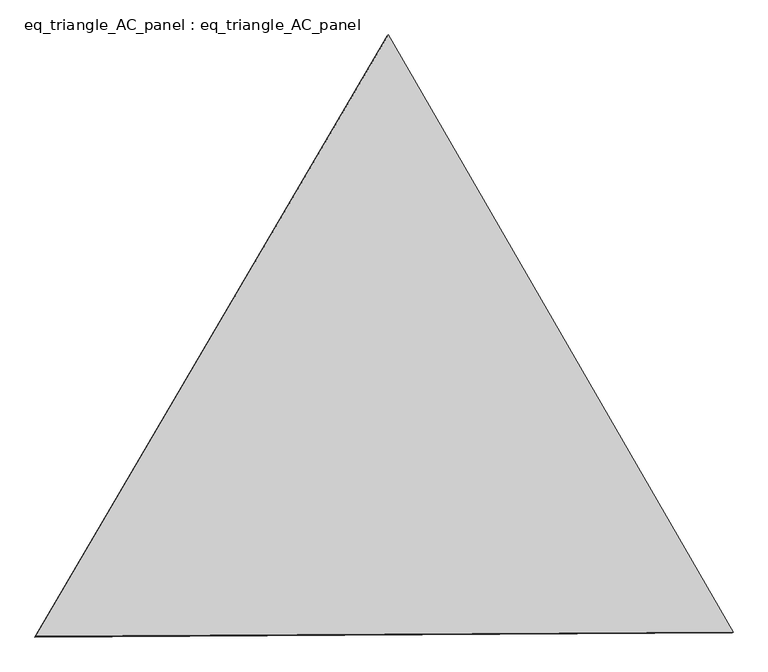
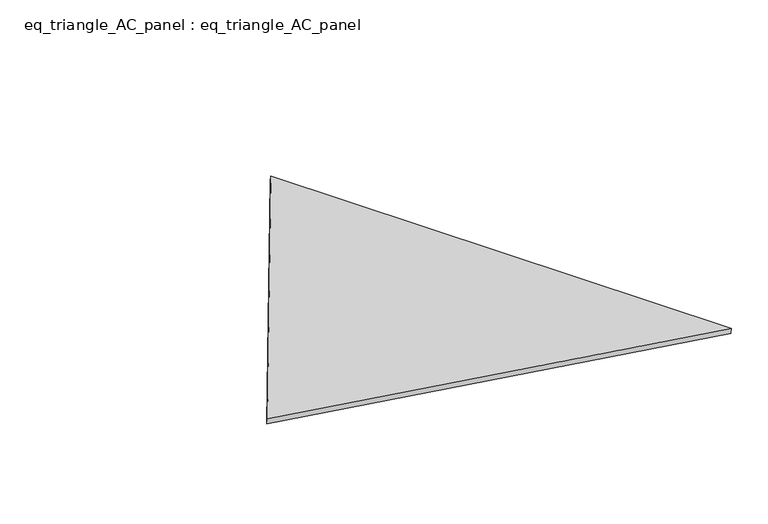
"""IFC4 building model written with IfcOpenShell, lengths in millimetres: proxy geometry, eq_triangle_AC_panel : eq_triangle_AC_panel."""

from ifc_helpers import new_model, si_unit, frame, origin, place, context, project, spatial, polyline, outline, extrude, source, transform, mapped, element, save


def eq_triangle_ac_panel_eq_triangle_ac_panel_8a2c29d7(model_context):
    return source(origin(), model_context, "Body", "SweptSolid", [
        extrude(outline(polyline([(-2017.7245804, 1198.9369906), (2017.7092157, 1198.9369906), (0.0153647, -2397.8739811), (-2017.7245804, 1198.9369906)])), frame((0.0038051, 527.9290861, 89.8240019), z_axis=(0.14526328518058193, 0.08386570281802175, 0.9858321976225894), x_axis=(0.49999729918774555, -0.8660269630925165, -1.308886362682095e-06)), (0.0, 0.0, 1.0), 43.8306294),
    ])


if __name__ == "__main__":
    model = new_model("IFC4")
    model_context = context("Model", 3, world=origin())
    ifc_project = project(units=[si_unit("LENGTHUNIT", "METRE", prefix="MILLI")], contexts=[model_context])
    site = spatial("IfcSite", under=ifc_project)
    building = spatial("IfcBuilding", under=site)
    placement = place(None, origin())
    eq_triangle_ac_panel_eq_triangle_ac_panel_shape = eq_triangle_ac_panel_eq_triangle_ac_panel_8a2c29d7(model_context)
    element("IfcBuildingElementProxy", 1, Name="eq_triangle_AC_panel : eq_triangle_AC_panel", ObjectType="eq_triangle_AC_panel : eq_triangle_AC_panel", at=placement, inside=building, context=model_context, shape_type="MappedRepresentation", body=[
        mapped(eq_triangle_ac_panel_eq_triangle_ac_panel_shape, transform((0.0, 0.0, 0.0), x_axis=(1.0, 0.0, 0.0), y_axis=(0.0, 1.0, 0.0), z_axis=(0.0, 0.0, 1.0))),
    ])
    save(model, "model.ifc")
